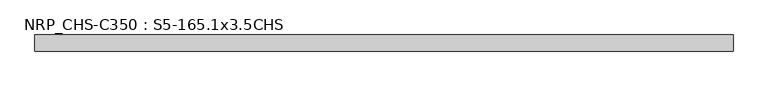
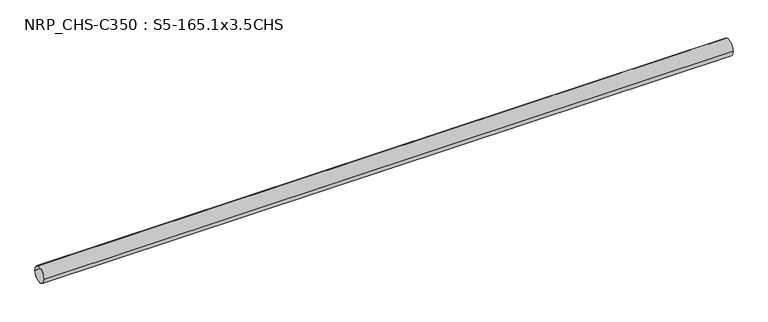
"""IFC4 building model written with IfcOpenShell, lengths in millimetres: beam geometry, NRP_CHS-C350 : S5-165.1x3.5CHS."""

from ifc_helpers import new_model, si_unit, point, frame, origin, origin_2d, place, context, project, spatial, circle_curve, trimmed, segment, composite_curve, outline, extrude, source, transform, mapped, element, save


def nrp_chs_c350_s5_165_1x3_5chs_499141f3(model_context):
    return source(origin(), model_context, "Body", "SweptSolid", [
        extrude(outline(composite_curve([segment(trimmed(circle_curve(origin_2d(), 82.55), [point((82.55, 0.0))], [point((-82.55, 0.0))], False, "CARTESIAN"), True, "CONTINUOUS"), segment(trimmed(circle_curve(origin_2d(), 82.55), [point((-82.55, 0.0))], [point((82.55, 0.0))], False, "CARTESIAN"), True, "CONTINUOUS")], self_intersect=False), holes=[composite_curve([segment(trimmed(circle_curve(origin_2d(), 79.05), [point((-79.05, 0.0))], [point((79.05, 0.0))], True, "CARTESIAN"), True, "CONTINUOUS"), segment(trimmed(circle_curve(origin_2d(), 79.05), [point((79.05, 0.0))], [point((-79.05, 0.0))], True, "CARTESIAN"), True, "CONTINUOUS")], self_intersect=False)]), frame((-3568.55, 0.0, 0.0), z_axis=(1.0, 0.0, 0.0), x_axis=(0.0, 1.0, 0.0)), (0.0, 0.0, 1.0), 7163.1),
    ])


if __name__ == "__main__":
    model = new_model("IFC4")
    model_context = context("Model", 3, world=origin())
    ifc_project = project(units=[si_unit("LENGTHUNIT", "METRE", prefix="MILLI")], contexts=[model_context])
    site = spatial("IfcSite", under=ifc_project)
    building = spatial("IfcBuilding", under=site)
    placement = place(None, origin())
    nrp_chs_c350_s5_165_1x3_5chs_shape = nrp_chs_c350_s5_165_1x3_5chs_499141f3(model_context)
    element("IfcBeam", 1, ObjectType="NRP_CHS-C350 : S5-165.1x3.5CHS", at=placement, inside=building, context=model_context, shape_type="MappedRepresentation", body=[
        mapped(nrp_chs_c350_s5_165_1x3_5chs_shape, transform((0.0, 0.0, 0.0), x_axis=(1.0, 0.0, 0.0), y_axis=(0.0, 1.0, 0.0), z_axis=(0.0, 0.0, 1.0))),
    ])
    save(model, "model.ifc")
